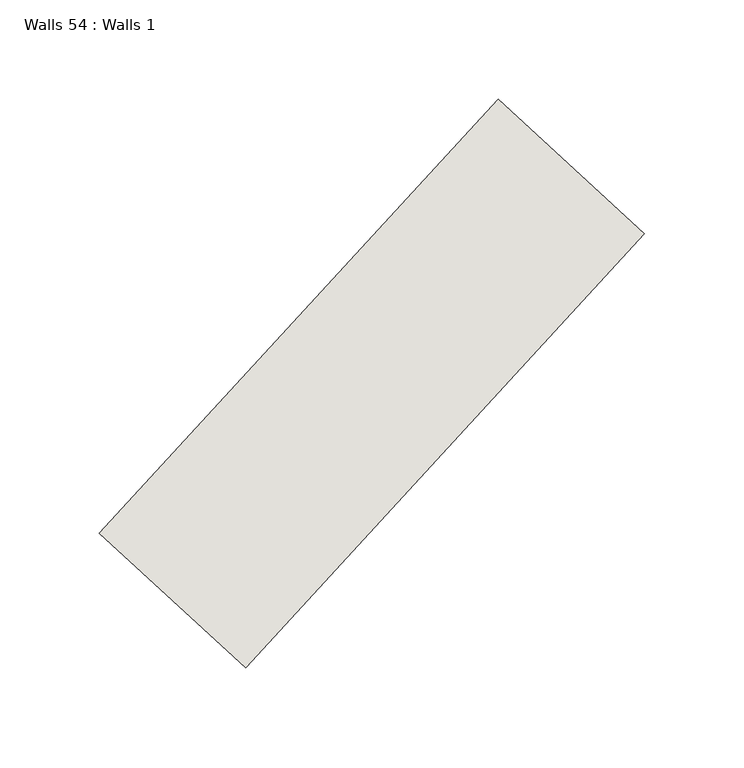
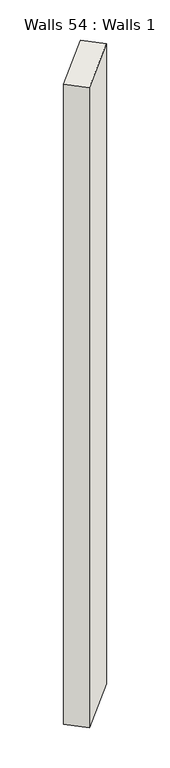
"""IFC4 building model written with IfcOpenShell, lengths in millimetres: wall geometry, Walls 54 : Walls 1."""

from ifc_helpers import new_model, si_unit, origin, origin_with_axes, place, context, project, spatial, polyline, outline, extrude, source, transform, mapped, element, save


def walls_54_walls_1_e037bcbd(model_context):
    return source(origin(), model_context, "Body", "SweptSolid", [
        extrude(outline(polyline([(9979.2933722, -442.0405355), (10180.0671875, -223.5506837), (10253.7000476, -291.2130951), (10052.9262322, -509.7029469), (9979.2933722, -442.0405355)])), origin_with_axes(), (0.0, 0.0, 1.0), 2954.8887158),
    ])


if __name__ == "__main__":
    model = new_model("IFC4")
    model_context = context("Model", 3, world=origin())
    ifc_project = project(units=[si_unit("LENGTHUNIT", "METRE", prefix="MILLI")], contexts=[model_context])
    site = spatial("IfcSite", under=ifc_project)
    building = spatial("IfcBuilding", under=site)
    placement = place(None, origin())
    walls_54_walls_1_shape = walls_54_walls_1_e037bcbd(model_context)
    element("IfcWall", 1, ObjectType="Walls 54 : Walls 1", at=placement, inside=building, context=model_context, shape_type="MappedRepresentation", body=[
        mapped(walls_54_walls_1_shape, transform((0.0, 0.0, 0.0), x_axis=(1.0, 0.0, 0.0), y_axis=(0.0, 1.0, 0.0), z_axis=(0.0, 0.0, 1.0))),
    ])
    save(model, "model.ifc")
